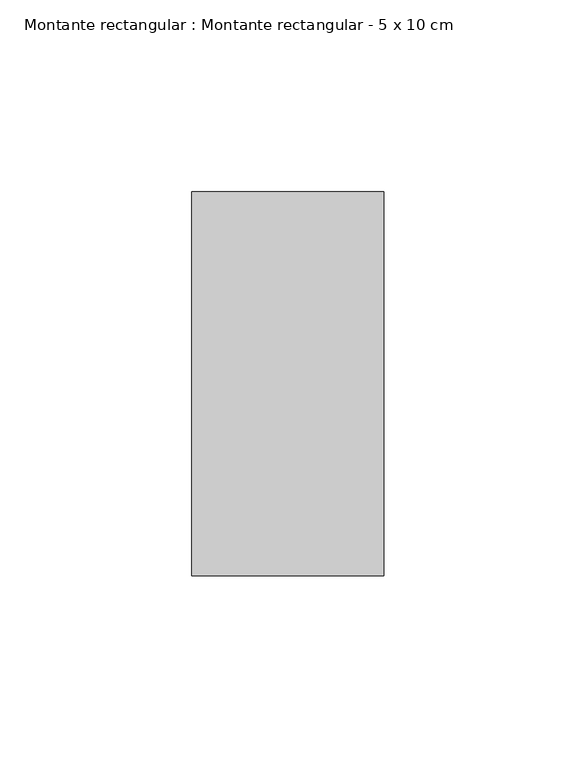
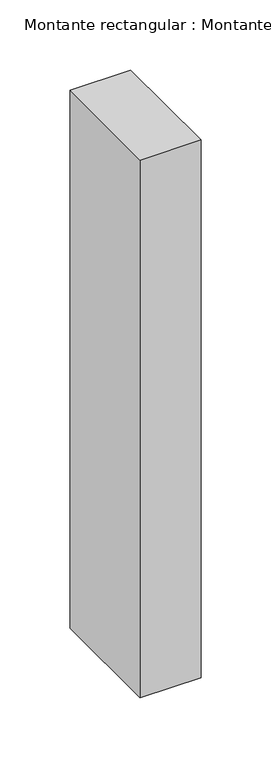
"""IFC4 building model written with IfcOpenShell, lengths in millimetres: member geometry, Montante rectangular : Montante rectangular - 5 x 10 cm."""

from ifc_helpers import new_model, si_unit, frame, origin, place, context, project, spatial, polyline, outline, extrude, source, transform, mapped, element, save


def montante_rectangular_montante_rectangular_5_x_10_cm_ecdc9646(model_context):
    return source(origin(), model_context, "Body", "SweptSolid", [
        extrude(outline(polyline([(-50.0, 50.0), (0.0, 50.0), (0.0, -50.0), (-50.0, -50.0), (-50.0, 50.0)])), frame((0.0, 0.0, -467.7452144), z_axis=(0.0, 0.0, 1.0), x_axis=(1.0, 0.0, 0.0)), (0.0, 0.0, 1.0), 467.7452144),
    ])


if __name__ == "__main__":
    model = new_model("IFC4")
    model_context = context("Model", 3, world=origin())
    ifc_project = project(units=[si_unit("LENGTHUNIT", "METRE", prefix="MILLI")], contexts=[model_context])
    site = spatial("IfcSite", under=ifc_project)
    building = spatial("IfcBuilding", under=site)
    placement = place(None, origin())
    montante_rectangular_montante_rectangular_5_x_10_cm_shape = montante_rectangular_montante_rectangular_5_x_10_cm_ecdc9646(model_context)
    element("IfcMember", 1, ObjectType="Montante rectangular : Montante rectangular - 5 x 10 cm", at=placement, inside=building, context=model_context, shape_type="MappedRepresentation", body=[
        mapped(montante_rectangular_montante_rectangular_5_x_10_cm_shape, transform((0.0, 0.0, 0.0), x_axis=(1.0, 0.0, 0.0), y_axis=(0.0, 1.0, 0.0), z_axis=(0.0, 0.0, 1.0))),
    ])
    save(model, "model.ifc")
